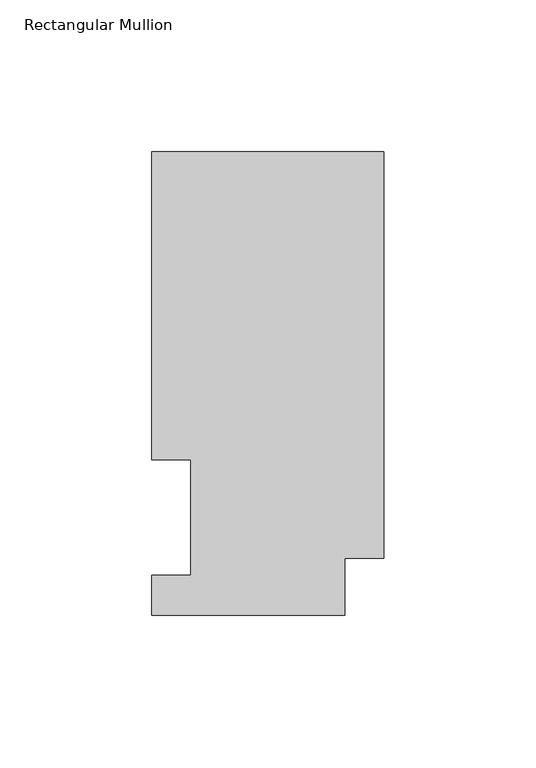
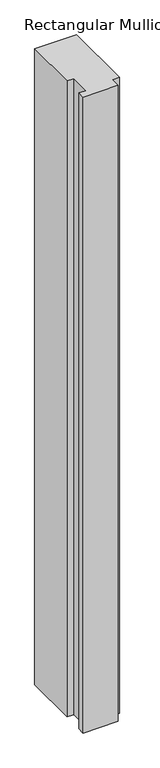
"""IFC4 building model written with IfcOpenShell, lengths in millimetres: member geometry, Rectangular Mullion."""

from ifc_helpers import new_model, si_unit, frame, origin, place, context, project, spatial, polyline, outline, extrude, source, transform, mapped, element, save


def rectangular_mullion_d7f08838(model_context):
    return source(origin(), model_context, "Body", "SweptSolid", [
        extrude(outline(polyline([(0.0, 18.7332937), (-12.7, 18.7332937), (-12.7, 0.0134938), (-76.2, 0.0134938), (-76.2, 13.1960938), (-63.5, 13.1960938), (-63.5, 51.2960937), (-76.2, 51.2960937), (-76.2, 152.4896938), (0.0, 152.4896938), (0.0, 18.7332937)])), frame((0.0, 0.0, -1219.2), z_axis=(0.0, 0.0, 1.0), x_axis=(1.0, 0.0, 0.0)), (0.0, 0.0, 1.0), 1219.2),
    ])


if __name__ == "__main__":
    model = new_model("IFC4")
    model_context = context("Model", 3, world=origin())
    ifc_project = project(units=[si_unit("LENGTHUNIT", "METRE", prefix="MILLI")], contexts=[model_context])
    site = spatial("IfcSite", under=ifc_project)
    building = spatial("IfcBuilding", under=site)
    placement = place(None, origin())
    rectangular_mullion_shape = rectangular_mullion_d7f08838(model_context)
    element("IfcMember", 1, ObjectType="Rectangular Mullion", at=placement, inside=building, context=model_context, shape_type="MappedRepresentation", body=[
        mapped(rectangular_mullion_shape, transform((0.0, 0.0, 0.0), x_axis=(1.0, 0.0, 0.0), y_axis=(0.0, 1.0, 0.0), z_axis=(0.0, 0.0, 1.0))),
    ])
    save(model, "model.ifc")
